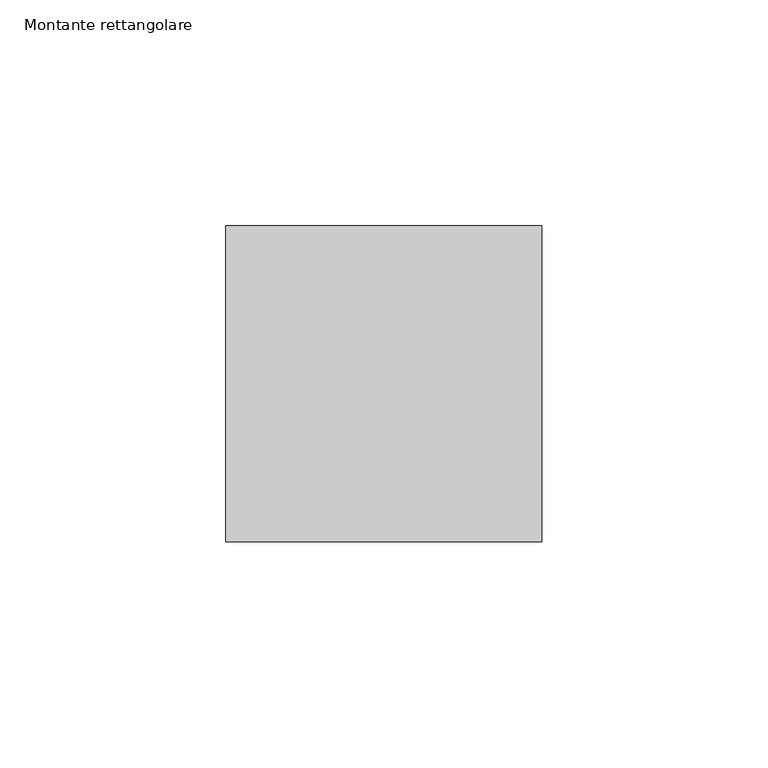
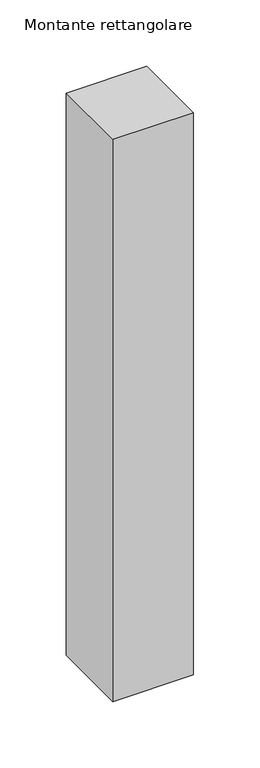
"""IFC4 building model written with IfcOpenShell, lengths in millimetres: member geometry, Montante rettangolare."""

from ifc_helpers import new_model, si_unit, frame, origin, place, context, project, spatial, polyline, outline, extrude, source, transform, mapped, element, save


def montante_rettangolare_456474f2(model_context):
    return source(origin(), model_context, "Body", "SweptSolid", [
        extrude(outline(polyline([(0.0, 35.0), (0.0, -35.0), (-70.0, -35.0), (-70.0, 35.0), (0.0, 35.0)])), frame((0.0, 0.0, -517.4098793), z_axis=(0.0, 0.0, 1.0), x_axis=(1.0, 0.0, 0.0)), (0.0, 0.0, 1.0), 517.4098793),
    ])


if __name__ == "__main__":
    model = new_model("IFC4")
    model_context = context("Model", 3, world=origin())
    ifc_project = project(units=[si_unit("LENGTHUNIT", "METRE", prefix="MILLI")], contexts=[model_context])
    site = spatial("IfcSite", under=ifc_project)
    building = spatial("IfcBuilding", under=site)
    placement = place(None, origin())
    montante_rettangolare_shape = montante_rettangolare_456474f2(model_context)
    element("IfcMember", 1, ObjectType="Montante rettangolare", at=placement, inside=building, context=model_context, shape_type="MappedRepresentation", body=[
        mapped(montante_rettangolare_shape, transform((0.0, 0.0, 0.0), x_axis=(1.0, 0.0, 0.0), y_axis=(0.0, 1.0, 0.0), z_axis=(0.0, 0.0, 1.0))),
    ])
    save(model, "model.ifc")
